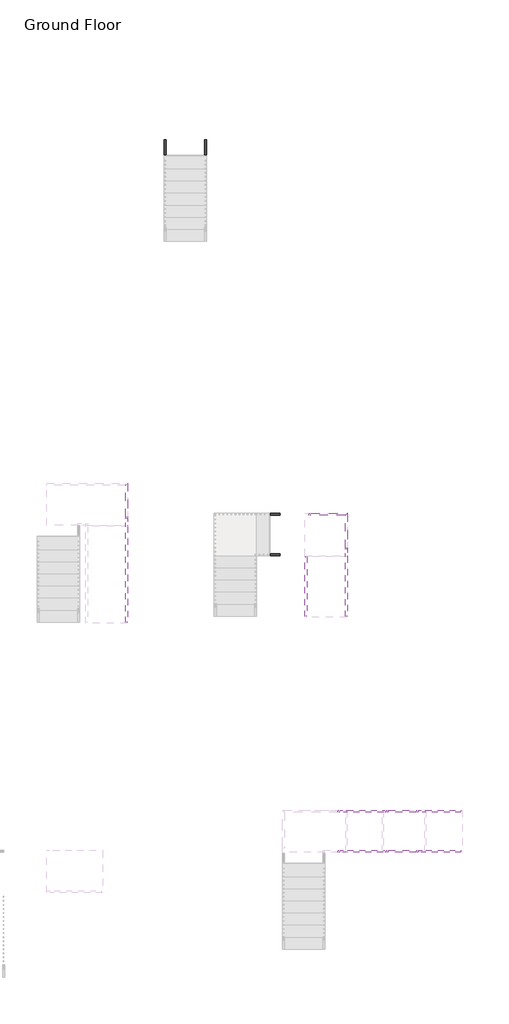
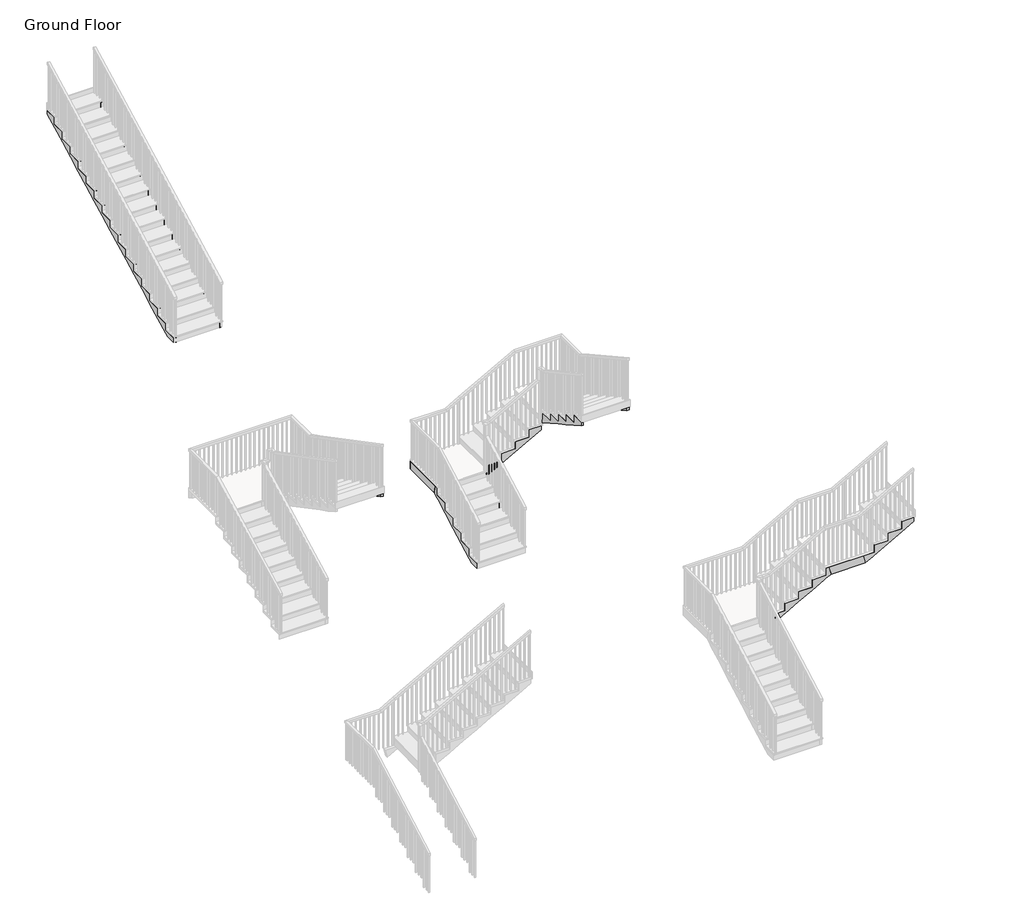
# One storey, part 10 of 10: 20 members.
"""IFC4 building model written with IfcOpenShell, lengths in millimetres."""

from ifc_helpers import new_model, si_unit, frame, origin, place, context, project, spatial, polyline, outline, extrude, faceted_brep, element, save

model = new_model("IFC4")

# Units and contexts
model_context = context("Model", 3, world=origin())
ifc_project = project(units=[si_unit("LENGTHUNIT", "METRE", prefix="MILLI")], contexts=[model_context])

# Site, building, storey
site = spatial("IfcSite", under=ifc_project)
building = spatial("IfcBuilding", under=site)
storey = spatial("IfcBuildingStorey", under=building, Name="Ground Floor", Elevation=0.0)

# Members
placement = place(None, origin())
element("IfcMember", 1, ObjectType="Carriage - 2\" Width", at=placement, inside=storey, context=model_context, shape_type="Brep", body=[
    faceted_brep([(33581.6811148, 2326.6531107, 0.0), (33581.6811148, 2560.7447003, 0.0), (33632.4811148, 2560.7447003, 0.0), (33632.4811148, 2326.6531107, 0.0), (33632.4811148, 7178.0531107, 2415.5363444), (33581.6811148, 7178.0531107, 2415.5363444), (33581.6811148, 7178.0531107, 2500.4888889), (33632.4811148, 7178.0531107, 2500.4888889), (33581.6811148, 2631.4531107, 36.990974), (33581.6811148, 2936.2531107, 196.4465296), (33581.6811148, 3241.0531107, 355.9020851), (33581.6811148, 3545.8531107, 515.3576407), (33581.6811148, 3850.6531107, 674.8131962), (33581.6811148, 4155.4531107, 834.2687518), (33581.6811148, 4460.2531107, 993.7243073), (33581.6811148, 4765.0531107, 1153.1798629), (33581.6811148, 5069.8531107, 1312.6354185), (33581.6811148, 5374.6531107, 1472.090974), (33581.6811148, 5679.4531107, 1631.5465296), (33581.6811148, 5984.2531107, 1791.0020851), (33581.6811148, 6289.0531107, 1950.4576407), (33581.6811148, 6593.8531107, 2109.9131962), (33581.6811148, 6898.6531107, 2269.3687518), (33581.6811148, 2326.6531107, 108.6555556), (33581.6811148, 2631.4531107, 108.6555556), (33581.6811148, 2631.4531107, 268.1111111), (33581.6811148, 2936.2531107, 268.1111111), (33581.6811148, 2936.2531107, 427.5666667), (33581.6811148, 3241.0531107, 427.5666667), (33581.6811148, 3241.0531107, 587.0222222), (33581.6811148, 3545.8531107, 587.0222222), (33581.6811148, 3545.8531107, 746.4777778), (33581.6811148, 3850.6531107, 746.4777778), (33581.6811148, 3850.6531107, 905.9333333), (33581.6811148, 4155.4531107, 905.9333333), (33581.6811148, 4155.4531107, 1065.3888889), (33581.6811148, 4460.2531107, 1065.3888889), (33581.6811148, 4460.2531107, 1224.8444444), (33581.6811148, 4765.0531107, 1224.8444444), (33581.6811148, 4765.0531107, 1384.3), (33581.6811148, 5069.8531107, 1384.3), (33581.6811148, 5069.8531107, 1543.7555556), (33581.6811148, 5374.6531107, 1543.7555556), (33581.6811148, 5374.6531107, 1703.2111111), (33581.6811148, 5679.4531107, 1703.2111111), (33581.6811148, 5679.4531107, 1862.6666667), (33581.6811148, 5984.2531107, 1862.6666667), (33581.6811148, 5984.2531107, 2022.1222222), (33581.6811148, 6289.0531107, 2022.1222222), (33581.6811148, 6289.0531107, 2181.5777778), (33581.6811148, 6593.8531107, 2181.5777778), (33581.6811148, 6593.8531107, 2341.0333333), (33581.6811148, 6898.6531107, 2341.0333333), (33581.6811148, 6898.6531107, 2500.4888889), (33632.4811148, 6898.6531107, 2500.4888889), (33632.4811148, 6898.6531107, 2341.0333333), (33632.4811148, 6593.8531107, 2341.0333333), (33632.4811148, 6593.8531107, 2181.5777778), (33632.4811148, 6289.0531107, 2181.5777778), (33632.4811148, 6289.0531107, 2022.1222222), (33632.4811148, 5984.2531107, 2022.1222222), (33632.4811148, 5984.2531107, 1862.6666667), (33632.4811148, 5679.4531107, 1862.6666667), (33632.4811148, 5679.4531107, 1703.2111111), (33632.4811148, 5374.6531107, 1703.2111111), (33632.4811148, 5374.6531107, 1543.7555556), (33632.4811148, 5069.8531107, 1543.7555556), (33632.4811148, 5069.8531107, 1384.3), (33632.4811148, 4765.0531107, 1384.3), (33632.4811148, 4765.0531107, 1224.8444444), (33632.4811148, 4460.2531107, 1224.8444444), (33632.4811148, 4460.2531107, 1065.3888889), (33632.4811148, 4155.4531107, 1065.3888889), (33632.4811148, 4155.4531107, 905.9333333), (33632.4811148, 3850.6531107, 905.9333333), (33632.4811148, 3850.6531107, 746.4777778), (33632.4811148, 3545.8531107, 746.4777778), (33632.4811148, 3545.8531107, 587.0222222), (33632.4811148, 3241.0531107, 587.0222222), (33632.4811148, 3241.0531107, 427.5666667), (33632.4811148, 2936.2531107, 427.5666667), (33632.4811148, 2936.2531107, 268.1111111), (33632.4811148, 2631.4531107, 268.1111111), (33632.4811148, 2631.4531107, 108.6555556), (33632.4811148, 2326.6531107, 108.6555556)], [[[0, 1, 2, 3]], [[4, 5, 6, 7]], [[5, 4, 2, 1, 8, 9, 10, 11, 12, 13, 14, 15, 16, 17, 18, 19, 20, 21, 22]], [[6, 5, 22, 21, 20, 19, 18, 17, 16, 15, 14, 13, 12, 11, 10, 9, 8, 1, 0, 23, 24, 25, 26, 27, 28, 29, 30, 31, 32, 33, 34, 35, 36, 37, 38, 39, 40, 41, 42, 43, 44, 45, 46, 47, 48, 49, 50, 51, 52, 53]], [[53, 54, 7, 6]], [[4, 7, 54, 55, 56, 57, 58, 59, 60, 61, 62, 63, 64, 65, 66, 67, 68, 69, 70, 71, 72, 73, 74, 75, 76, 77, 78, 79, 80, 81, 82, 83, 84, 3, 2]], [[84, 23, 0, 3]], [[23, 84, 83, 24]], [[24, 83, 82, 25]], [[25, 82, 81, 26]], [[26, 81, 80, 27]], [[27, 80, 79, 28]], [[28, 79, 78, 29]], [[29, 78, 77, 30]], [[30, 77, 76, 31]], [[31, 76, 75, 32]], [[32, 75, 74, 33]], [[33, 74, 73, 34]], [[34, 73, 72, 35]], [[35, 72, 71, 36]], [[36, 71, 70, 37]], [[37, 70, 69, 38]], [[38, 69, 68, 39]], [[39, 68, 67, 40]], [[40, 67, 66, 41]], [[41, 66, 65, 42]], [[42, 65, 64, 43]], [[43, 64, 63, 44]], [[44, 63, 62, 45]], [[45, 62, 61, 46]], [[46, 61, 60, 47]], [[47, 60, 59, 48]], [[48, 59, 58, 49]], [[49, 58, 57, 50]], [[50, 57, 56, 51]], [[51, 56, 55, 52]], [[52, 55, 54, 53]]]),
])
element("IfcMember", 2, ObjectType="Carriage - 2\" Width", at=placement, inside=storey, context=model_context, shape_type="Brep", body=[
    faceted_brep([(34597.6811148, 2326.6531107, 0.0), (34597.6811148, 2560.7447003, 0.0), (34648.4811148, 2560.7447003, 0.0), (34648.4811148, 2326.6531107, 0.0), (34648.4811148, 7178.0531107, 2415.5363444), (34597.6811148, 7178.0531107, 2415.5363444), (34597.6811148, 7178.0531107, 2500.4888889), (34648.4811148, 7178.0531107, 2500.4888889), (34648.4811148, 6898.6531107, 2269.3687518), (34648.4811148, 6593.8531107, 2109.9131962), (34648.4811148, 6289.0531107, 1950.4576407), (34648.4811148, 5984.2531107, 1791.0020851), (34648.4811148, 5679.4531107, 1631.5465296), (34648.4811148, 5374.6531107, 1472.090974), (34648.4811148, 5069.8531107, 1312.6354185), (34648.4811148, 4765.0531107, 1153.1798629), (34648.4811148, 4460.2531107, 993.7243073), (34648.4811148, 4155.4531107, 834.2687518), (34648.4811148, 3850.6531107, 674.8131962), (34648.4811148, 3545.8531107, 515.3576407), (34648.4811148, 3241.0531107, 355.9020851), (34648.4811148, 2936.2531107, 196.4465296), (34648.4811148, 2631.4531107, 36.990974), (34597.6811148, 2326.6531107, 108.6555556), (34597.6811148, 2631.4531107, 108.6555556), (34597.6811148, 2631.4531107, 268.1111111), (34597.6811148, 2936.2531107, 268.1111111), (34597.6811148, 2936.2531107, 427.5666667), (34597.6811148, 3241.0531107, 427.5666667), (34597.6811148, 3241.0531107, 587.0222222), (34597.6811148, 3545.8531107, 587.0222222), (34597.6811148, 3545.8531107, 746.4777778), (34597.6811148, 3850.6531107, 746.4777778), (34597.6811148, 3850.6531107, 905.9333333), (34597.6811148, 4155.4531107, 905.9333333), (34597.6811148, 4155.4531107, 1065.3888889), (34597.6811148, 4460.2531107, 1065.3888889), (34597.6811148, 4460.2531107, 1224.8444444), (34597.6811148, 4765.0531107, 1224.8444444), (34597.6811148, 4765.0531107, 1384.3), (34597.6811148, 5069.8531107, 1384.3), (34597.6811148, 5069.8531107, 1543.7555556), (34597.6811148, 5374.6531107, 1543.7555556), (34597.6811148, 5374.6531107, 1703.2111111), (34597.6811148, 5679.4531107, 1703.2111111), (34597.6811148, 5679.4531107, 1862.6666667), (34597.6811148, 5984.2531107, 1862.6666667), (34597.6811148, 5984.2531107, 2022.1222222), (34597.6811148, 6289.0531107, 2022.1222222), (34597.6811148, 6289.0531107, 2181.5777778), (34597.6811148, 6593.8531107, 2181.5777778), (34597.6811148, 6593.8531107, 2341.0333333), (34597.6811148, 6898.6531107, 2341.0333333), (34597.6811148, 6898.6531107, 2500.4888889), (34648.4811148, 6898.6531107, 2500.4888889), (34648.4811148, 6898.6531107, 2341.0333333), (34648.4811148, 6593.8531107, 2341.0333333), (34648.4811148, 6593.8531107, 2181.5777778), (34648.4811148, 6289.0531107, 2181.5777778), (34648.4811148, 6289.0531107, 2022.1222222), (34648.4811148, 5984.2531107, 2022.1222222), (34648.4811148, 5984.2531107, 1862.6666667), (34648.4811148, 5679.4531107, 1862.6666667), (34648.4811148, 5679.4531107, 1703.2111111), (34648.4811148, 5374.6531107, 1703.2111111), (34648.4811148, 5374.6531107, 1543.7555556), (34648.4811148, 5069.8531107, 1543.7555556), (34648.4811148, 5069.8531107, 1384.3), (34648.4811148, 4765.0531107, 1384.3), (34648.4811148, 4765.0531107, 1224.8444444), (34648.4811148, 4460.2531107, 1224.8444444), (34648.4811148, 4460.2531107, 1065.3888889), (34648.4811148, 4155.4531107, 1065.3888889), (34648.4811148, 4155.4531107, 905.9333333), (34648.4811148, 3850.6531107, 905.9333333), (34648.4811148, 3850.6531107, 746.4777778), (34648.4811148, 3545.8531107, 746.4777778), (34648.4811148, 3545.8531107, 587.0222222), (34648.4811148, 3241.0531107, 587.0222222), (34648.4811148, 3241.0531107, 427.5666667), (34648.4811148, 2936.2531107, 427.5666667), (34648.4811148, 2936.2531107, 268.1111111), (34648.4811148, 2631.4531107, 268.1111111), (34648.4811148, 2631.4531107, 108.6555556), (34648.4811148, 2326.6531107, 108.6555556)], [[[0, 1, 2, 3]], [[4, 5, 6, 7]], [[5, 4, 8, 9, 10, 11, 12, 13, 14, 15, 16, 17, 18, 19, 20, 21, 22, 2, 1]], [[6, 5, 1, 0, 23, 24, 25, 26, 27, 28, 29, 30, 31, 32, 33, 34, 35, 36, 37, 38, 39, 40, 41, 42, 43, 44, 45, 46, 47, 48, 49, 50, 51, 52, 53]], [[53, 54, 7, 6]], [[4, 7, 54, 55, 56, 57, 58, 59, 60, 61, 62, 63, 64, 65, 66, 67, 68, 69, 70, 71, 72, 73, 74, 75, 76, 77, 78, 79, 80, 81, 82, 83, 84, 3, 2, 22, 21, 20, 19, 18, 17, 16, 15, 14, 13, 12, 11, 10, 9, 8]], [[84, 23, 0, 3]], [[23, 84, 83, 24]], [[24, 83, 82, 25]], [[25, 82, 81, 26]], [[26, 81, 80, 27]], [[27, 80, 79, 28]], [[28, 79, 78, 29]], [[29, 78, 77, 30]], [[30, 77, 76, 31]], [[31, 76, 75, 32]], [[32, 75, 74, 33]], [[33, 74, 73, 34]], [[34, 73, 72, 35]], [[35, 72, 71, 36]], [[36, 71, 70, 37]], [[37, 70, 69, 38]], [[38, 69, 68, 39]], [[39, 68, 67, 40]], [[40, 67, 66, 41]], [[41, 66, 65, 42]], [[42, 65, 64, 43]], [[43, 64, 63, 44]], [[44, 63, 62, 45]], [[45, 62, 61, 46]], [[46, 61, 60, 47]], [[47, 60, 59, 48]], [[48, 59, 58, 49]], [[49, 58, 57, 50]], [[50, 57, 56, 51]], [[51, 56, 55, 52]], [[52, 55, 54, 53]]]),
])
element("IfcMember", 3, ObjectType="Carriage - 2\" Width", at=placement, inside=storey, context=model_context, shape_type="Brep", body=[
    faceted_brep([(38012.455743, -12034.350078, 1290.9176471), (37966.5016532, -12034.350078, 1468.7176471), (38170.6404708, -12034.350078, 1468.7176471), (38202.3904708, -12034.350078, 1468.7176471), (38202.3904708, -12034.350078, 1637.5529412), (38507.1904708, -12034.350078, 1637.5529412), (38507.1904708, -12034.350078, 1806.3882353), (38811.9904708, -12034.350078, 1806.3882353), (38811.9904708, -12034.350078, 1975.2235294), (39085.0404708, -12034.350078, 1975.2235294), (39116.7904708, -12034.350078, 1975.2235294), (39116.7904708, -12034.350078, 2144.0588235), (39185.7016532, -12034.350078, 2144.0588235), (39231.655743, -12034.350078, 1966.2588235), (39116.7904708, -12034.350078, 1902.6324717), (39085.0404708, -12034.350078, 1885.0454619), (38811.9904708, -12034.350078, 1733.7971776), (38507.1904708, -12034.350078, 1564.9618835), (38202.3904708, -12034.350078, 1396.1265894), (38170.6404708, -12034.350078, 1378.5395796), (39231.655743, -12085.150078, 1966.2588235), (38012.455743, -12085.150078, 1290.9176471), (39185.7016532, -12085.150078, 2144.0588235), (39116.7904708, -12085.150078, 2144.0588235), (39116.7904708, -12085.150078, 1975.2235294), (38811.9904708, -12085.150078, 1975.2235294), (38811.9904708, -12085.150078, 1806.3882353), (38507.1904708, -12085.150078, 1806.3882353), (38507.1904708, -12085.150078, 1637.5529412), (38202.3904708, -12085.150078, 1637.5529412), (38202.3904708, -12085.150078, 1468.7176471), (37966.5016532, -12085.150078, 1468.7176471)], [[[0, 1, 2, 3, 4, 5, 6, 7, 8, 9, 10, 11, 12, 13, 14, 15, 16, 17, 18, 19]], [[20, 21, 0, 19, 18, 17, 16, 15, 14, 13]], [[21, 20, 22, 23, 24, 25, 26, 27, 28, 29, 30, 31]], [[4, 29, 28, 5]], [[29, 4, 3, 30]], [[6, 27, 26, 7]], [[5, 28, 27, 6]], [[0, 21, 31, 1]], [[30, 3, 2, 1, 31]], [[8, 25, 24, 10, 9]], [[7, 26, 25, 8]], [[20, 13, 12, 22]], [[11, 23, 22, 12]], [[10, 24, 23, 11]]]),
])
element("IfcMember", 4, ObjectType="Carriage - 2\" Width", at=placement, inside=storey, context=model_context, shape_type="Brep", body=[
    faceted_brep([(39231.655743, -13050.350078, 1966.2588235), (38012.455743, -13050.350078, 1290.9176471), (37966.5016532, -13050.350078, 1468.7176471), (38202.3904708, -13050.350078, 1468.7176471), (38202.3904708, -13050.350078, 1637.5529412), (38507.1904708, -13050.350078, 1637.5529412), (38507.1904708, -13050.350078, 1806.3882353), (38811.9904708, -13050.350078, 1806.3882353), (38811.9904708, -13050.350078, 1975.2235294), (39116.7904708, -13050.350078, 1975.2235294), (39116.7904708, -13050.350078, 2144.0588235), (39185.7016532, -13050.350078, 2144.0588235), (39231.655743, -13101.150078, 1966.2588235), (39116.7904708, -13101.150078, 1902.6324717), (39085.0404708, -13101.150078, 1885.0454619), (38811.9904708, -13101.150078, 1733.7971776), (38507.1904708, -13101.150078, 1564.9618835), (38202.3904708, -13101.150078, 1396.1265894), (38170.6404708, -13101.150078, 1378.5395796), (38012.455743, -13101.150078, 1290.9176471), (37966.5016532, -13101.150078, 1468.7176471), (39185.7016532, -13101.150078, 2144.0588235), (39116.7904708, -13101.150078, 2144.0588235), (39116.7904708, -13101.150078, 1975.2235294), (39085.0404708, -13101.150078, 1975.2235294), (38811.9904708, -13101.150078, 1975.2235294), (38811.9904708, -13101.150078, 1806.3882353), (38507.1904708, -13101.150078, 1806.3882353), (38507.1904708, -13101.150078, 1637.5529412), (38202.3904708, -13101.150078, 1637.5529412), (38202.3904708, -13101.150078, 1468.7176471), (38170.6404708, -13101.150078, 1468.7176471)], [[[0, 1, 2, 3, 4, 5, 6, 7, 8, 9, 10, 11]], [[1, 0, 12, 13, 14, 15, 16, 17, 18, 19]], [[20, 19, 18, 17, 16, 15, 14, 13, 12, 21, 22, 23, 24, 25, 26, 27, 28, 29, 30, 31]], [[4, 29, 28, 5]], [[29, 4, 3, 30]], [[6, 27, 26, 7]], [[5, 28, 27, 6]], [[30, 3, 2, 20, 31]], [[8, 25, 24, 23, 9]], [[7, 26, 25, 8]], [[12, 0, 11, 21]], [[10, 22, 21, 11]], [[9, 23, 22, 10]], [[1, 19, 20, 2]]]),
])
element("IfcMember", 5, ObjectType="Carriage - 2\" Width", at=placement, inside=storey, context=model_context, shape_type="Brep", body=[
    faceted_brep([(41066.2404708, -12085.150078, 2560.3866384), (41066.2404708, -12034.350078, 2560.3866384), (41066.2404708, -12034.350078, 2650.5647059), (41066.2404708, -12085.150078, 2650.5647059), (40793.1904708, -12034.350078, 2409.1383541), (40488.3904708, -12034.350078, 2240.30306), (40183.5904708, -12034.350078, 2071.4677658), (40151.8404708, -12034.350078, 2053.880756), (39993.655743, -12034.350078, 1966.2588235), (39947.7016532, -12034.350078, 2144.0588235), (40151.8404708, -12034.350078, 2144.0588235), (40183.5904708, -12034.350078, 2144.0588235), (40183.5904708, -12034.350078, 2312.8941176), (40488.3904708, -12034.350078, 2312.8941176), (40488.3904708, -12034.350078, 2481.7294118), (40793.1904708, -12034.350078, 2481.7294118), (40793.1904708, -12034.350078, 2650.5647059), (39993.655743, -12085.150078, 1966.2588235), (40793.1904708, -12085.150078, 2650.5647059), (40793.1904708, -12085.150078, 2481.7294118), (40488.3904708, -12085.150078, 2481.7294118), (40488.3904708, -12085.150078, 2312.8941176), (40183.5904708, -12085.150078, 2312.8941176), (40183.5904708, -12085.150078, 2144.0588235), (39947.7016532, -12085.150078, 2144.0588235)], [[[0, 1, 2, 3]], [[2, 1, 4, 5, 6, 7, 8, 9, 10, 11, 12, 13, 14, 15, 16]], [[1, 0, 17, 8, 7, 6, 5, 4]], [[17, 0, 3, 18, 19, 20, 21, 22, 23, 24]], [[12, 22, 21, 13]], [[22, 12, 11, 23]], [[14, 20, 19, 15]], [[13, 21, 20, 14]], [[16, 18, 3, 2]], [[15, 19, 18, 16]], [[8, 17, 24, 9]], [[23, 11, 10, 9, 24]]]),
])
element("IfcMember", 6, ObjectType="Carriage - 2\" Width", at=placement, inside=storey, context=model_context, shape_type="Brep", body=[
    faceted_brep([(41066.2404708, -13101.150078, 2560.3866384), (41066.2404708, -13050.350078, 2560.3866384), (41066.2404708, -13050.350078, 2650.5647059), (41066.2404708, -13101.150078, 2650.5647059), (39993.655743, -13050.350078, 1966.2588235), (39947.7016532, -13050.350078, 2144.0588235), (40183.5904708, -13050.350078, 2144.0588235), (40183.5904708, -13050.350078, 2312.8941176), (40488.3904708, -13050.350078, 2312.8941176), (40488.3904708, -13050.350078, 2481.7294118), (40793.1904708, -13050.350078, 2481.7294118), (40793.1904708, -13050.350078, 2650.5647059), (40793.1904708, -13101.150078, 2409.1383541), (40488.3904708, -13101.150078, 2240.30306), (40183.5904708, -13101.150078, 2071.4677658), (40151.8404708, -13101.150078, 2053.880756), (39993.655743, -13101.150078, 1966.2588235), (40793.1904708, -13101.150078, 2650.5647059), (40793.1904708, -13101.150078, 2481.7294118), (40488.3904708, -13101.150078, 2481.7294118), (40488.3904708, -13101.150078, 2312.8941176), (40183.5904708, -13101.150078, 2312.8941176), (40183.5904708, -13101.150078, 2144.0588235), (40151.8404708, -13101.150078, 2144.0588235), (39947.7016532, -13101.150078, 2144.0588235)], [[[0, 1, 2, 3]], [[1, 4, 5, 6, 7, 8, 9, 10, 11, 2]], [[1, 0, 12, 13, 14, 15, 16, 4]], [[0, 3, 17, 18, 19, 20, 21, 22, 23, 24, 16, 15, 14, 13, 12]], [[7, 21, 20, 8]], [[21, 7, 6, 22]], [[9, 19, 18, 10]], [[8, 20, 19, 9]], [[11, 17, 3, 2]], [[10, 18, 17, 11]], [[4, 16, 24, 5]], [[22, 6, 5, 24, 23]]]),
])
element("IfcMember", 7, ObjectType="Carriage - 2\" Width", at=placement, inside=storey, context=model_context, shape_type="SweptSolid", body=[
    extrude(outline(polyline([(1966.2588235, 39231.655743), (1966.2588235, 39993.655743), (2144.0588235, 39947.7016532), (2144.0588235, 39185.7016532), (1966.2588235, 39231.655743)])), frame((0.0, -12085.150078, 0.0), z_axis=(0.0, 1.0, 0.0), x_axis=(0.0, 0.0, 1.0)), (0.0, 0.0, 1.0), 50.8),
])
element("IfcMember", 8, ObjectType="Carriage - 2\" Width", at=placement, inside=storey, context=model_context, shape_type="SweptSolid", body=[
    extrude(outline(polyline([(1966.2588235, 39231.655743), (1966.2588235, 39993.655743), (2144.0588235, 39947.7016532), (2144.0588235, 39185.7016532), (1966.2588235, 39231.655743)])), frame((0.0, -13101.150078, 0.0), z_axis=(0.0, 1.0, 0.0), x_axis=(0.0, 0.0, 1.0)), (0.0, 0.0, 1.0), 50.8),
])
element("IfcMember", 9, ObjectType="Carriage - 2\" Width", at=placement, inside=storey, context=model_context, shape_type="Brep", body=[
    faceted_brep([(32612.9015552, -7296.5028521, 2571.6699092), (32663.7015552, -7296.5028521, 2571.6699092), (32663.7015552, -7296.5028521, 2659.9444444), (32612.9015552, -7296.5028521, 2659.9444444), (32663.7015552, -7023.4528521, 2428.8243073), (32663.7015552, -6718.6528521, 2269.3687518), (32663.7015552, -6413.8528521, 2109.9131962), (32663.7015552, -6109.0528521, 1950.4576407), (32663.7015552, -5804.2528521, 1791.0020851), (32663.7015552, -5499.4528521, 1631.5465296), (32663.7015552, -5194.6528521, 1472.090974), (32663.7015552, -4889.8528521, 1312.6354185), (32663.7015552, -4858.1028521, 1296.0254648), (32663.7015552, -4686.9745301, 1206.5), (32663.7015552, -4643.2759556, 1384.3), (32663.7015552, -4858.1028521, 1384.3), (32663.7015552, -4889.8528521, 1384.3), (32663.7015552, -4889.8528521, 1543.7555556), (32663.7015552, -5194.6528521, 1543.7555556), (32663.7015552, -5194.6528521, 1703.2111111), (32663.7015552, -5499.4528521, 1703.2111111), (32663.7015552, -5499.4528521, 1862.6666667), (32663.7015552, -5804.2528521, 1862.6666667), (32663.7015552, -5804.2528521, 2022.1222222), (32663.7015552, -6109.0528521, 2022.1222222), (32663.7015552, -6109.0528521, 2181.5777778), (32663.7015552, -6413.8528521, 2181.5777778), (32663.7015552, -6413.8528521, 2341.0333333), (32663.7015552, -6718.6528521, 2341.0333333), (32663.7015552, -6718.6528521, 2500.4888889), (32663.7015552, -7023.4528521, 2500.4888889), (32663.7015552, -7023.4528521, 2659.9444444), (32612.9015552, -4686.9745301, 1206.5), (32612.9015552, -7023.4528521, 2659.9444444), (32612.9015552, -7023.4528521, 2500.4888889), (32612.9015552, -6718.6528521, 2500.4888889), (32612.9015552, -6718.6528521, 2341.0333333), (32612.9015552, -6413.8528521, 2341.0333333), (32612.9015552, -6413.8528521, 2181.5777778), (32612.9015552, -6109.0528521, 2181.5777778), (32612.9015552, -6109.0528521, 2022.1222222), (32612.9015552, -5804.2528521, 2022.1222222), (32612.9015552, -5804.2528521, 1862.6666667), (32612.9015552, -5499.4528521, 1862.6666667), (32612.9015552, -5499.4528521, 1703.2111111), (32612.9015552, -5194.6528521, 1703.2111111), (32612.9015552, -5194.6528521, 1543.7555556), (32612.9015552, -4889.8528521, 1543.7555556), (32612.9015552, -4889.8528521, 1384.3), (32612.9015552, -4643.2759556, 1384.3)], [[[0, 1, 2, 3]], [[2, 1, 4, 5, 6, 7, 8, 9, 10, 11, 12, 13, 14, 15, 16, 17, 18, 19, 20, 21, 22, 23, 24, 25, 26, 27, 28, 29, 30, 31]], [[1, 0, 32, 13, 12, 11, 10, 9, 8, 7, 6, 5, 4]], [[32, 0, 3, 33, 34, 35, 36, 37, 38, 39, 40, 41, 42, 43, 44, 45, 46, 47, 48, 49]], [[17, 47, 46, 18]], [[47, 17, 16, 48]], [[19, 45, 44, 20]], [[18, 46, 45, 19]], [[21, 43, 42, 22]], [[20, 44, 43, 21]], [[23, 41, 40, 24]], [[22, 42, 41, 23]], [[25, 39, 38, 26]], [[24, 40, 39, 25]], [[27, 37, 36, 28]], [[26, 38, 37, 27]], [[29, 35, 34, 30]], [[28, 36, 35, 29]], [[31, 33, 3, 2]], [[30, 34, 33, 31]], [[13, 32, 49, 14]], [[48, 16, 15, 14, 49]]]),
])
element("IfcMember", 10, ObjectType="Carriage - 2\" Width", at=placement, inside=storey, context=model_context, shape_type="Brep", body=[
    faceted_brep([(32612.9015552, -3842.1028521, 1206.5), (32612.9015552, -4686.9745301, 1206.5), (32612.9015552, -4643.2759556, 1384.3), (32612.9015552, -3842.1028521, 1384.3), (32663.7015552, -3791.3028521, 1206.5), (32663.7015552, -4686.9745301, 1206.5), (32663.7015552, -3791.3028521, 1384.3), (32663.7015552, -4643.2759556, 1384.3)], [[[0, 1, 2, 3]], [[1, 0, 4, 5]], [[5, 4, 6, 7]], [[3, 2, 7, 6]], [[1, 5, 7, 2]], [[4, 0, 3, 6]]]),
])
element("IfcMember", 11, ObjectType="Carriage - 2\" Width", at=placement, inside=storey, context=model_context, shape_type="Brep", body=[
    faceted_brep([(34845.7697162, -7115.0953523, 0.0), (34845.7697162, -6892.3362747, 0.0), (34896.5697162, -6892.3362747, 0.0), (34896.5697162, -7115.0953523, 0.0), (34845.7697162, -5476.23008, 784.4117647), (34896.5697162, -5476.23008, 784.4117647), (34845.7697162, -6810.2953523, 45.4442364), (34845.7697162, -6505.4953523, 214.2795306), (34845.7697162, -6200.6953523, 383.1148247), (34845.7697162, -5895.8953523, 551.9501188), (34845.7697162, -5622.8453523, 703.1984031), (34845.7697162, -5591.0953523, 720.7854129), (34845.7697162, -5522.1841698, 962.2117647), (34845.7697162, -7115.0953523, 118.0352941), (34845.7697162, -6810.2953523, 118.0352941), (34845.7697162, -6810.2953523, 286.8705882), (34845.7697162, -6505.4953523, 286.8705882), (34845.7697162, -6505.4953523, 455.7058824), (34845.7697162, -6200.6953523, 455.7058824), (34845.7697162, -6200.6953523, 624.5411765), (34845.7697162, -5895.8953523, 624.5411765), (34845.7697162, -5895.8953523, 793.3764706), (34845.7697162, -5622.8453523, 793.3764706), (34845.7697162, -5591.0953523, 793.3764706), (34845.7697162, -5591.0953523, 962.2117647), (34896.5697162, -5522.1841698, 962.2117647), (34896.5697162, -5591.0953523, 962.2117647), (34896.5697162, -5591.0953523, 793.3764706), (34896.5697162, -5895.8953523, 793.3764706), (34896.5697162, -5895.8953523, 624.5411765), (34896.5697162, -6200.6953523, 624.5411765), (34896.5697162, -6200.6953523, 455.7058824), (34896.5697162, -6505.4953523, 455.7058824), (34896.5697162, -6505.4953523, 286.8705882), (34896.5697162, -6810.2953523, 286.8705882), (34896.5697162, -6810.2953523, 118.0352941), (34896.5697162, -7115.0953523, 118.0352941)], [[[0, 1, 2, 3]], [[4, 5, 2, 1, 6, 7, 8, 9, 10, 11]], [[12, 4, 11, 10, 9, 8, 7, 6, 1, 0, 13, 14, 15, 16, 17, 18, 19, 20, 21, 22, 23, 24]], [[2, 5, 25, 26, 27, 28, 29, 30, 31, 32, 33, 34, 35, 36, 3]], [[36, 13, 0, 3]], [[13, 36, 35, 14]], [[14, 35, 34, 15]], [[15, 34, 33, 16]], [[16, 33, 32, 17]], [[17, 32, 31, 18]], [[18, 31, 30, 19]], [[19, 30, 29, 20]], [[21, 28, 27, 23, 22]], [[20, 29, 28, 21]], [[5, 4, 12, 25]], [[23, 27, 26, 24]], [[24, 26, 25, 12]]]),
])
element("IfcMember", 12, ObjectType="Carriage - 2\" Width", at=placement, inside=storey, context=model_context, shape_type="Brep", body=[
    faceted_brep([(35861.7697162, -7115.0953523, 0.0), (35861.7697162, -6892.3362747, 0.0), (35912.5697162, -6892.3362747, 0.0), (35912.5697162, -7115.0953523, 0.0), (35861.7697162, -5622.8453523, 703.1984031), (35912.5697162, -5622.8453523, 703.1984031), (35912.5697162, -5895.8953523, 551.9501188), (35912.5697162, -6200.6953523, 383.1148247), (35912.5697162, -6505.4953523, 214.2795306), (35912.5697162, -6810.2953523, 45.4442364), (35861.7697162, -5622.8453523, 793.3764706), (35861.7697162, -7115.0953523, 118.0352941), (35861.7697162, -6810.2953523, 118.0352941), (35861.7697162, -6810.2953523, 286.8705882), (35861.7697162, -6505.4953523, 286.8705882), (35861.7697162, -6505.4953523, 455.7058824), (35861.7697162, -6200.6953523, 455.7058824), (35861.7697162, -6200.6953523, 624.5411765), (35861.7697162, -5895.8953523, 624.5411765), (35861.7697162, -5895.8953523, 793.3764706), (35912.5697162, -5622.8453523, 793.3764706), (35912.5697162, -5895.8953523, 793.3764706), (35912.5697162, -5895.8953523, 624.5411765), (35912.5697162, -6200.6953523, 624.5411765), (35912.5697162, -6200.6953523, 455.7058824), (35912.5697162, -6505.4953523, 455.7058824), (35912.5697162, -6505.4953523, 286.8705882), (35912.5697162, -6810.2953523, 286.8705882), (35912.5697162, -6810.2953523, 118.0352941), (35912.5697162, -7115.0953523, 118.0352941)], [[[0, 1, 2, 3]], [[4, 5, 6, 7, 8, 9, 2, 1]], [[10, 4, 1, 0, 11, 12, 13, 14, 15, 16, 17, 18, 19]], [[5, 20, 21, 22, 23, 24, 25, 26, 27, 28, 29, 3, 2, 9, 8, 7, 6]], [[29, 11, 0, 3]], [[11, 29, 28, 12]], [[12, 28, 27, 13]], [[13, 27, 26, 14]], [[14, 26, 25, 15]], [[15, 25, 24, 16]], [[16, 24, 23, 17]], [[17, 23, 22, 18]], [[19, 21, 20, 10]], [[18, 22, 21, 19]], [[5, 4, 10, 20]]]),
])
element("IfcMember", 13, ObjectType="Carriage - 2\" Width", at=placement, inside=storey, context=model_context, shape_type="Brep", body=[
    faceted_brep([(35754.3849884, -4556.0453523, 784.4117647), (35708.4308986, -4556.0453523, 962.2117647), (35912.5697162, -4556.0453523, 962.2117647), (35944.3197162, -4556.0453523, 962.2117647), (35944.3197162, -4556.0453523, 1131.0470588), (36249.1197162, -4556.0453523, 1131.0470588), (36249.1197162, -4556.0453523, 1299.8823529), (36553.9197162, -4556.0453523, 1299.8823529), (36553.9197162, -4556.0453523, 1468.7176471), (36858.7197162, -4556.0453523, 1468.7176471), (36858.7197162, -4556.0453523, 1637.5529412), (37131.7697162, -4556.0453523, 1637.5529412), (37163.5197162, -4556.0453523, 1637.5529412), (37163.5197162, -4556.0453523, 1806.3882353), (37232.4308986, -4556.0453523, 1806.3882353), (37278.3849884, -4556.0453523, 1628.5882353), (37163.5197162, -4556.0453523, 1564.9618835), (37131.7697162, -4556.0453523, 1547.3748737), (36858.7197162, -4556.0453523, 1396.1265894), (36553.9197162, -4556.0453523, 1227.2912953), (36249.1197162, -4556.0453523, 1058.4560011), (35944.3197162, -4556.0453523, 889.620707), (35912.5697162, -4556.0453523, 872.0336972), (37278.3849884, -4606.8453523, 1628.5882353), (35754.3849884, -4606.8453523, 784.4117647), (37232.4308986, -4606.8453523, 1806.3882353), (37163.5197162, -4606.8453523, 1806.3882353), (37163.5197162, -4606.8453523, 1637.5529412), (36858.7197162, -4606.8453523, 1637.5529412), (36858.7197162, -4606.8453523, 1468.7176471), (36553.9197162, -4606.8453523, 1468.7176471), (36553.9197162, -4606.8453523, 1299.8823529), (36249.1197162, -4606.8453523, 1299.8823529), (36249.1197162, -4606.8453523, 1131.0470588), (35944.3197162, -4606.8453523, 1131.0470588), (35944.3197162, -4606.8453523, 962.2117647), (35708.4308986, -4606.8453523, 962.2117647)], [[[0, 1, 2, 3, 4, 5, 6, 7, 8, 9, 10, 11, 12, 13, 14, 15, 16, 17, 18, 19, 20, 21, 22]], [[23, 24, 0, 22, 21, 20, 19, 18, 17, 16, 15]], [[24, 23, 25, 26, 27, 28, 29, 30, 31, 32, 33, 34, 35, 36]], [[4, 34, 33, 5]], [[34, 4, 3, 35]], [[6, 32, 31, 7]], [[5, 33, 32, 6]], [[8, 30, 29, 9]], [[7, 31, 30, 8]], [[0, 24, 36, 1]], [[35, 3, 2, 1, 36]], [[10, 28, 27, 12, 11]], [[9, 29, 28, 10]], [[23, 15, 14, 25]], [[13, 26, 25, 14]], [[12, 27, 26, 13]]]),
])
element("IfcMember", 14, ObjectType="Carriage - 2\" Width", at=placement, inside=storey, context=model_context, shape_type="Brep", body=[
    faceted_brep([(37131.7697162, -5572.0453523, 1637.5529412), (37131.7697162, -5572.0453523, 1547.3748737), (35944.3197162, -5572.0453523, 889.620707), (35944.3197162, -5572.0453523, 1131.0470588), (36249.1197162, -5572.0453523, 1131.0470588), (36249.1197162, -5572.0453523, 1299.8823529), (36553.9197162, -5572.0453523, 1299.8823529), (36553.9197162, -5572.0453523, 1468.7176471), (36858.7197162, -5572.0453523, 1468.7176471), (36858.7197162, -5572.0453523, 1637.5529412), (37131.7697162, -5622.8453523, 1547.3748737), (36858.7197162, -5622.8453523, 1396.1265894), (36553.9197162, -5622.8453523, 1227.2912953), (36249.1197162, -5622.8453523, 1058.4560011), (35944.3197162, -5622.8453523, 889.620707), (37131.7697162, -5622.8453523, 1637.5529412), (36858.7197162, -5622.8453523, 1637.5529412), (36858.7197162, -5622.8453523, 1468.7176471), (36553.9197162, -5622.8453523, 1468.7176471), (36553.9197162, -5622.8453523, 1299.8823529), (36249.1197162, -5622.8453523, 1299.8823529), (36249.1197162, -5622.8453523, 1131.0470588), (35944.3197162, -5622.8453523, 1131.0470588)], [[[0, 1, 2, 3, 4, 5, 6, 7, 8, 9]], [[1, 10, 11, 12, 13, 14, 2]], [[10, 15, 16, 17, 18, 19, 20, 21, 22, 14, 13, 12, 11]], [[3, 22, 21, 4]], [[22, 3, 2, 14]], [[5, 20, 19, 6]], [[4, 21, 20, 5]], [[7, 18, 17, 8]], [[6, 19, 18, 7]], [[9, 16, 15, 0]], [[8, 17, 16, 9]], [[10, 1, 0, 15]]]),
])
element("IfcMember", 15, ObjectType="Carriage - 2\" Width", at=placement, inside=storey, context=model_context, shape_type="Brep", body=[
    faceted_brep([(34896.5697162, -4606.8453523, 784.4117647), (35754.3849884, -4606.8453523, 784.4117647), (35708.4308986, -4606.8453523, 962.2117647), (34896.5697162, -4606.8453523, 962.2117647), (34845.7697162, -4556.0453523, 784.4117647), (35754.3849884, -4556.0453523, 784.4117647), (34845.7697162, -4556.0453523, 962.2117647), (35708.4308986, -4556.0453523, 962.2117647)], [[[0, 1, 2, 3]], [[1, 0, 4, 5]], [[5, 4, 6, 7]], [[3, 2, 7, 6]], [[1, 5, 7, 2]], [[4, 0, 3, 6]]]),
])
element("IfcMember", 16, ObjectType="Carriage - 2\" Width", at=placement, inside=storey, context=model_context, shape_type="Brep", body=[
    faceted_brep([(34896.5697162, -5476.23008, 784.4117647), (34896.5697162, -4606.8453523, 784.4117647), (34896.5697162, -4606.8453523, 962.2117647), (34896.5697162, -5522.1841698, 962.2117647), (34845.7697162, -5476.23008, 784.4117647), (34845.7697162, -4556.0453523, 784.4117647), (34845.7697162, -5522.1841698, 962.2117647), (34845.7697162, -4556.0453523, 962.2117647)], [[[0, 1, 2, 3]], [[1, 0, 4, 5]], [[5, 4, 6, 7]], [[3, 2, 7, 6]], [[1, 5, 7, 2]], [[4, 0, 3, 6]]]),
])
element("IfcMember", 17, ObjectType="Carriage - 2\" Width", at=placement, inside=storey, context=model_context, shape_type="Brep", body=[
    faceted_brep([(38147.7697162, -7146.8453523, 2560.3866384), (38198.5697162, -7146.8453523, 2560.3866384), (38198.5697162, -7146.8453523, 2650.5647059), (38147.7697162, -7146.8453523, 2650.5647059), (38198.5697162, -6873.7953523, 2409.1383541), (38198.5697162, -6568.9953523, 2240.30306), (38198.5697162, -6264.1953523, 2071.4677658), (38198.5697162, -5959.3953523, 1902.6324717), (38198.5697162, -5654.5953523, 1733.7971776), (38198.5697162, -5622.8453523, 1716.2101678), (38198.5697162, -5464.6606246, 1628.5882353), (38198.5697162, -5418.7065348, 1806.3882353), (38198.5697162, -5622.8453523, 1806.3882353), (38198.5697162, -5654.5953523, 1806.3882353), (38198.5697162, -5654.5953523, 1975.2235294), (38198.5697162, -5959.3953523, 1975.2235294), (38198.5697162, -5959.3953523, 2144.0588235), (38198.5697162, -6264.1953523, 2144.0588235), (38198.5697162, -6264.1953523, 2312.8941176), (38198.5697162, -6568.9953523, 2312.8941176), (38198.5697162, -6568.9953523, 2481.7294118), (38198.5697162, -6873.7953523, 2481.7294118), (38198.5697162, -6873.7953523, 2650.5647059), (38147.7697162, -5464.6606246, 1628.5882353), (38147.7697162, -6873.7953523, 2650.5647059), (38147.7697162, -6873.7953523, 2481.7294118), (38147.7697162, -6568.9953523, 2481.7294118), (38147.7697162, -6568.9953523, 2312.8941176), (38147.7697162, -6264.1953523, 2312.8941176), (38147.7697162, -6264.1953523, 2144.0588235), (38147.7697162, -5959.3953523, 2144.0588235), (38147.7697162, -5959.3953523, 1975.2235294), (38147.7697162, -5654.5953523, 1975.2235294), (38147.7697162, -5654.5953523, 1806.3882353), (38147.7697162, -5418.7065348, 1806.3882353)], [[[0, 1, 2, 3]], [[2, 1, 4, 5, 6, 7, 8, 9, 10, 11, 12, 13, 14, 15, 16, 17, 18, 19, 20, 21, 22]], [[1, 0, 23, 10, 9, 8, 7, 6, 5, 4]], [[23, 0, 3, 24, 25, 26, 27, 28, 29, 30, 31, 32, 33, 34]], [[14, 32, 31, 15]], [[32, 14, 13, 33]], [[16, 30, 29, 17]], [[15, 31, 30, 16]], [[18, 28, 27, 19]], [[17, 29, 28, 18]], [[20, 26, 25, 21]], [[19, 27, 26, 20]], [[22, 24, 3, 2]], [[21, 25, 24, 22]], [[10, 23, 34, 11]], [[33, 13, 12, 11, 34]]]),
])
element("IfcMember", 18, ObjectType="Carriage - 2\" Width", at=placement, inside=storey, context=model_context, shape_type="Brep", body=[
    faceted_brep([(37131.7697162, -7146.8453523, 2560.3866384), (37182.5697162, -7146.8453523, 2560.3866384), (37182.5697162, -7146.8453523, 2650.5647059), (37131.7697162, -7146.8453523, 2650.5647059), (37182.5697162, -5654.5953523, 1733.7971776), (37182.5697162, -5654.5953523, 1975.2235294), (37182.5697162, -5959.3953523, 1975.2235294), (37182.5697162, -5959.3953523, 2144.0588235), (37182.5697162, -6264.1953523, 2144.0588235), (37182.5697162, -6264.1953523, 2312.8941176), (37182.5697162, -6568.9953523, 2312.8941176), (37182.5697162, -6568.9953523, 2481.7294118), (37182.5697162, -6873.7953523, 2481.7294118), (37182.5697162, -6873.7953523, 2650.5647059), (37131.7697162, -6873.7953523, 2409.1383541), (37131.7697162, -6568.9953523, 2240.30306), (37131.7697162, -6264.1953523, 2071.4677658), (37131.7697162, -5959.3953523, 1902.6324717), (37131.7697162, -5654.5953523, 1733.7971776), (37131.7697162, -6873.7953523, 2650.5647059), (37131.7697162, -6873.7953523, 2481.7294118), (37131.7697162, -6568.9953523, 2481.7294118), (37131.7697162, -6568.9953523, 2312.8941176), (37131.7697162, -6264.1953523, 2312.8941176), (37131.7697162, -6264.1953523, 2144.0588235), (37131.7697162, -5959.3953523, 2144.0588235), (37131.7697162, -5959.3953523, 1975.2235294), (37131.7697162, -5654.5953523, 1975.2235294)], [[[0, 1, 2, 3]], [[2, 1, 4, 5, 6, 7, 8, 9, 10, 11, 12, 13]], [[1, 0, 14, 15, 16, 17, 18, 4]], [[0, 3, 19, 20, 21, 22, 23, 24, 25, 26, 27, 18, 17, 16, 15, 14]], [[5, 27, 26, 6]], [[27, 5, 4, 18]], [[7, 25, 24, 8]], [[6, 26, 25, 7]], [[9, 23, 22, 10]], [[8, 24, 23, 9]], [[11, 21, 20, 12]], [[10, 22, 21, 11]], [[13, 19, 3, 2]], [[12, 20, 19, 13]]]),
])
element("IfcMember", 19, ObjectType="Carriage - 2\" Width", at=placement, inside=storey, context=model_context, shape_type="Brep", body=[
    faceted_brep([(38147.7697162, -4606.8453523, 1628.5882353), (38147.7697162, -5464.6606246, 1628.5882353), (38147.7697162, -5418.7065348, 1806.3882353), (38147.7697162, -4606.8453523, 1806.3882353), (38198.5697162, -4556.0453523, 1628.5882353), (38198.5697162, -5464.6606246, 1628.5882353), (38198.5697162, -4556.0453523, 1806.3882353), (38198.5697162, -5418.7065348, 1806.3882353)], [[[0, 1, 2, 3]], [[1, 0, 4, 5]], [[5, 4, 6, 7]], [[3, 2, 7, 6]], [[1, 5, 7, 2]], [[4, 0, 3, 6]]]),
])
element("IfcMember", 20, ObjectType="Carriage - 2\" Width", at=placement, inside=storey, context=model_context, shape_type="Brep", body=[
    faceted_brep([(37278.3849884, -4606.8453523, 1628.5882353), (38147.7697162, -4606.8453523, 1628.5882353), (38147.7697162, -4606.8453523, 1806.3882353), (37232.4308986, -4606.8453523, 1806.3882353), (37278.3849884, -4556.0453523, 1628.5882353), (38198.5697162, -4556.0453523, 1628.5882353), (37232.4308986, -4556.0453523, 1806.3882353), (38198.5697162, -4556.0453523, 1806.3882353)], [[[0, 1, 2, 3]], [[1, 0, 4, 5]], [[5, 4, 6, 7]], [[3, 2, 7, 6]], [[1, 5, 7, 2]], [[4, 0, 3, 6]]]),
])

save(model, "model.ifc")
